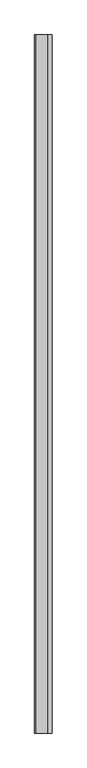
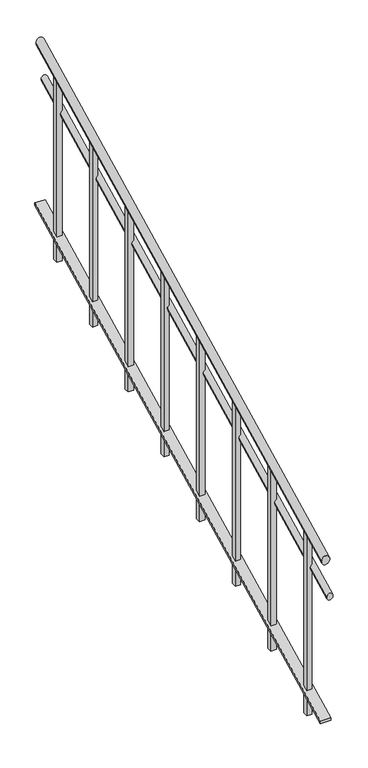
"""IFC4 building model written with IfcOpenShell, lengths in millimetres: railing geometry."""

from ifc_helpers import new_model, si_unit, frame, origin, place, context, project, spatial, polyline, ellipse_curve, outline, extrude, faceted_brep, source, transform, mapped, element, save
from ifc_brep_helpers import plane_surface, cylinder_surface, advanced_brep


def railing_6cd96f54(model_context):
    return source(origin(), model_context, "Body", "SolidModel", [
        advanced_brep(
        [(-28355.3887159, -20906.8920513, -172.3606798), (-28315.3887159, -20906.8920513, -172.3606798), (-28355.3887159, -18506.8920513, 1027.6393202), (-28315.3887159, -18506.8920513, 1027.6393202)],
        [
            (0, 1, ellipse_curve(frame((-28335.3887159, -20906.8920513, -172.3606798), z_axis=(0.0, -1.0, 0.0), x_axis=(0.0, 0.0, -1.0)), 22.3606798, 20.0)),
            (1, 0, ellipse_curve(frame((-28335.3887159, -20906.8920513, -172.3606798), z_axis=(0.0, -1.0, 0.0), x_axis=(0.0, 0.0, -1.0)), 22.3606798, 20.0)),
            (2, 3, ellipse_curve(frame((-28335.3887159, -18506.8920513, 1027.6393202), z_axis=(0.0, 1.0, 0.0), x_axis=(0.0, 0.0, -1.0)), 22.3606798, 20.0)),
            (3, 2, ellipse_curve(frame((-28335.3887159, -18506.8920513, 1027.6393202), z_axis=(0.0, 1.0, 0.0), x_axis=(0.0, 0.0, -1.0)), 22.3606798, 20.0)),
            (0, 2),
            (3, 1),
        ],
        [
            plane_surface(frame((-28335.3887159, -20906.8920513, -150.0), z_axis=(0.0, -1.0, 0.0), x_axis=(0.0, 0.0, 1.0))),
            plane_surface(frame((-28335.3887159, -18506.8920513, 1050.0), z_axis=(0.0, 1.0, 0.0), x_axis=(0.0, 0.0, 1.0))),
            cylinder_surface(frame((-28335.3887159, -20897.9477794, -167.8885438), z_axis=(0.0, -0.8944271909999157, -0.44721359549995837), x_axis=(1.0, 0.0, 0.0)), 20.0),
        ],
        [
            (0, [[1, 2]]),
            (1, [[3, 4]]),
            (2, [[-1, 5, -4, 6]]),
            (2, [[-2, -6, -3, -5]]),
        ],
    ),
        advanced_brep(
        [(-28330.3887159, -20906.8920513, -366.7705098), (-28300.3887159, -20906.8920513, -366.7705098), (-28330.3887159, -18506.8920513, 833.2294902), (-28300.3887159, -18506.8920513, 833.2294902)],
        [
            (0, 1, ellipse_curve(frame((-28315.3887159, -20906.8920513, -366.7705098), z_axis=(0.0, -1.0, 0.0), x_axis=(0.0, 0.0, -1.0)), 16.7705098, 15.0)),
            (1, 0, ellipse_curve(frame((-28315.3887159, -20906.8920513, -366.7705098), z_axis=(0.0, -1.0, 0.0), x_axis=(0.0, 0.0, -1.0)), 16.7705098, 15.0)),
            (2, 3, ellipse_curve(frame((-28315.3887159, -18506.8920513, 833.2294902), z_axis=(0.0, 1.0, 0.0), x_axis=(0.0, 0.0, -1.0)), 16.7705098, 15.0)),
            (3, 2, ellipse_curve(frame((-28315.3887159, -18506.8920513, 833.2294902), z_axis=(0.0, 1.0, 0.0), x_axis=(0.0, 0.0, -1.0)), 16.7705098, 15.0)),
            (0, 2),
            (3, 1),
        ],
        [
            plane_surface(frame((-28315.3887159, -20906.8920513, -350.0), z_axis=(0.0, -1.0, 0.0), x_axis=(0.0, 0.0, 1.0))),
            plane_surface(frame((-28315.3887159, -18506.8920513, 850.0), z_axis=(0.0, 1.0, 0.0), x_axis=(0.0, 0.0, 1.0))),
            cylinder_surface(frame((-28315.3887159, -20900.1838474, -363.4164079), z_axis=(0.0, -0.8944271909999157, -0.44721359549995837), x_axis=(1.0, 0.0, 0.0)), 15.0),
        ],
        [
            (0, [[1, 2]]),
            (1, [[3, 4]]),
            (2, [[-1, 5, -4, 6]]),
            (2, [[-2, -6, -3, -5]]),
        ],
    ),
        faceted_brep([(-28310.3887159, -20906.8920513, -990.0), (-28360.3887159, -20906.8920513, -990.0), (-28360.3887159, -20906.8920513, -1001.1803399), (-28310.3887159, -20906.8920513, -1001.1803399), (-28310.3887159, -18506.8920513, 210.0), (-28310.3887159, -18506.8920513, 198.8196601), (-28360.3887159, -18506.8920513, 198.8196601), (-28360.3887159, -18506.8920513, 210.0)], [[[0, 1, 2, 3]], [[4, 5, 6, 7]], [[1, 0, 4, 7]], [[2, 1, 7, 6]], [[3, 2, 6, 5]], [[0, 3, 5, 4]]]),
        extrude(outline(polyline([(-18669.3920513, 0.0), (-18669.3920513, 924.0286405), (-18644.3920513, 936.5286405), (-18644.3920513, 0.0), (-18669.3920513, 0.0)])), frame((-28347.8887159, 0.0, 0.0), z_axis=(1.0, 0.0, 0.0), x_axis=(0.0, 1.0, 0.0)), (0.0, 0.0, 1.0), 25.0),
        extrude(outline(polyline([(-18969.3920513, -150.0), (-18969.3920513, 774.0286405), (-18944.3920513, 786.5286405), (-18944.3920513, -150.0), (-18969.3920513, -150.0)])), frame((-28347.8887159, 0.0, 0.0), z_axis=(1.0, 0.0, 0.0), x_axis=(0.0, 1.0, 0.0)), (0.0, 0.0, 1.0), 25.0),
        extrude(outline(polyline([(-19269.3920513, -300.0), (-19269.3920513, 624.0286405), (-19244.3920513, 636.5286405), (-19244.3920513, -300.0), (-19269.3920513, -300.0)])), frame((-28347.8887159, 0.0, 0.0), z_axis=(1.0, 0.0, 0.0), x_axis=(0.0, 1.0, 0.0)), (0.0, 0.0, 1.0), 25.0),
        extrude(outline(polyline([(-19569.3920513, -450.0), (-19569.3920513, 474.0286405), (-19544.3920513, 486.5286405), (-19544.3920513, -450.0), (-19569.3920513, -450.0)])), frame((-28347.8887159, 0.0, 0.0), z_axis=(1.0, 0.0, 0.0), x_axis=(0.0, 1.0, 0.0)), (0.0, 0.0, 1.0), 25.0),
        extrude(outline(polyline([(-19869.3920513, -600.0), (-19869.3920513, 324.0286405), (-19844.3920513, 336.5286405), (-19844.3920513, -600.0), (-19869.3920513, -600.0)])), frame((-28347.8887159, 0.0, 0.0), z_axis=(1.0, 0.0, 0.0), x_axis=(0.0, 1.0, 0.0)), (0.0, 0.0, 1.0), 25.0),
        extrude(outline(polyline([(-20169.3920513, -750.0), (-20169.3920513, 174.0286405), (-20144.3920513, 186.5286405), (-20144.3920513, -750.0), (-20169.3920513, -750.0)])), frame((-28347.8887159, 0.0, 0.0), z_axis=(1.0, 0.0, 0.0), x_axis=(0.0, 1.0, 0.0)), (0.0, 0.0, 1.0), 25.0),
        extrude(outline(polyline([(-20469.3920513, -900.0), (-20469.3920513, 24.0286405), (-20444.3920513, 36.5286405), (-20444.3920513, -900.0), (-20469.3920513, -900.0)])), frame((-28347.8887159, 0.0, 0.0), z_axis=(1.0, 0.0, 0.0), x_axis=(0.0, 1.0, 0.0)), (0.0, 0.0, 1.0), 25.0),
        extrude(outline(polyline([(-20769.3920513, -1050.0), (-20769.3920513, -125.9713595), (-20744.3920513, -113.4713595), (-20744.3920513, -1050.0), (-20769.3920513, -1050.0)])), frame((-28347.8887159, 0.0, 0.0), z_axis=(1.0, 0.0, 0.0), x_axis=(0.0, 1.0, 0.0)), (0.0, 0.0, 1.0), 25.0),
    ])


if __name__ == "__main__":
    model = new_model("IFC4")
    model_context = context("Model", 3, world=origin())
    ifc_project = project(units=[si_unit("LENGTHUNIT", "METRE", prefix="MILLI")], contexts=[model_context])
    site = spatial("IfcSite", under=ifc_project)
    building = spatial("IfcBuilding", under=site)
    placement = place(None, origin())
    railing_shape = railing_6cd96f54(model_context)
    element("IfcRailing", 1, at=placement, inside=building, context=model_context, shape_type="MappedRepresentation", body=[
        mapped(railing_shape, transform((0.0, 0.0, 0.0), x_axis=(1.0, 0.0, 0.0), y_axis=(0.0, 1.0, 0.0), z_axis=(0.0, 0.0, 1.0))),
    ])
    save(model, "model.ifc")
